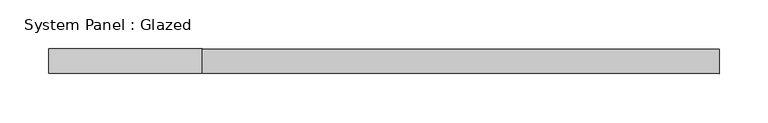
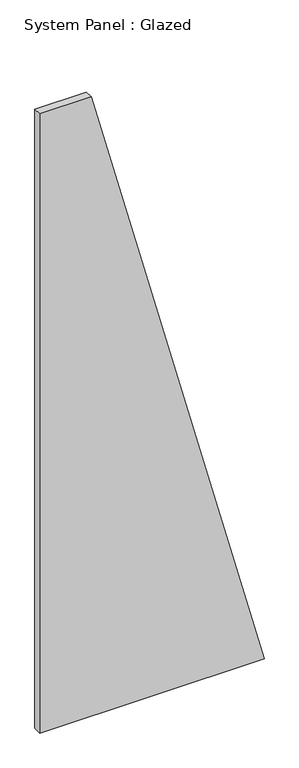
"""IFC4 building model written with IfcOpenShell, lengths in millimetres: plate geometry, System Panel : Glazed."""

from ifc_helpers import new_model, si_unit, frame, origin, place, context, project, spatial, polyline, outline, extrude, source, transform, mapped, element, save


def system_panel_glazed_9bc22795(model_context):
    return source(origin(), model_context, "Body", "SweptSolid", [
        extrude(outline(polyline([(0.0, -342.8571427), (0.0, 342.8571427), (2000.0, -185.7142859), (2000.0, -342.8571427), (0.0, -342.8571427)])), frame((0.0, 24.5, 0.0), z_axis=(0.0, 1.0, 0.0), x_axis=(0.0, 0.0, 1.0)), (0.0, 0.0, 1.0), 25.0),
    ])


if __name__ == "__main__":
    model = new_model("IFC4")
    model_context = context("Model", 3, world=origin())
    ifc_project = project(units=[si_unit("LENGTHUNIT", "METRE", prefix="MILLI")], contexts=[model_context])
    site = spatial("IfcSite", under=ifc_project)
    building = spatial("IfcBuilding", under=site)
    placement = place(None, origin())
    system_panel_glazed_shape = system_panel_glazed_9bc22795(model_context)
    element("IfcPlate", 1, ObjectType="System Panel : Glazed", at=placement, inside=building, context=model_context, shape_type="MappedRepresentation", body=[
        mapped(system_panel_glazed_shape, transform((0.0, 0.0, 0.0), x_axis=(1.0, 0.0, 0.0), y_axis=(0.0, 1.0, 0.0), z_axis=(0.0, 0.0, 1.0))),
    ])
    save(model, "model.ifc")
